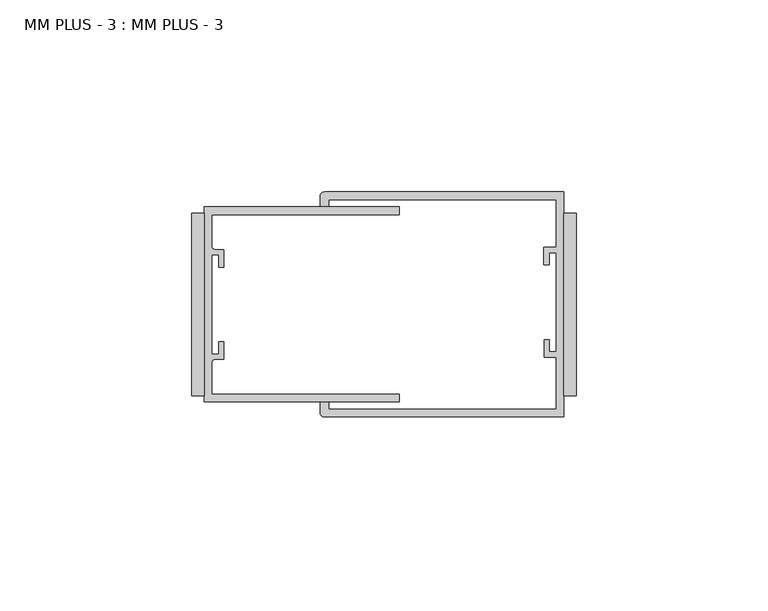
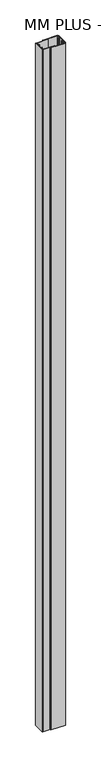
"""IFC4 building model written with IfcOpenShell, lengths in millimetres: proxy geometry, MM PLUS - 3 : MM PLUS - 3."""

from ifc_helpers import new_model, si_unit, point, frame_2d, origin, origin_with_axes, place, context, project, spatial, polyline, circle_curve, trimmed, segment, composite_curve, outline, extrude, source, transform, mapped, element, save


def mm_plus_3_mm_plus_3_bb4cb455(model_context):
    return source(origin(), model_context, "Body", "SweptSolid", [
        extrude(outline(polyline([(-3.175, 23.8125), (0.0, 23.8125), (0.0, -23.8125), (-3.175, -23.8125), (-3.175, 23.8125)])), origin_with_axes(), (0.0, 0.0, 1.0), 3048.0),
        extrude(outline(polyline([(-100.0125, 23.8125), (-96.8375, 23.8125), (-96.8375, -23.8125), (-100.0125, -23.8125), (-100.0125, 23.8125)])), origin_with_axes(), (0.0, 0.0, 1.0), 3048.0),
        extrude(outline(composite_curve([segment(polyline([(-65.4440744, 29.2862), (-3.175, 29.2862), (-3.175, -29.2862), (-65.4440744, -29.2862)]), True, "CONTINUOUS"), segment(trimmed(circle_curve(frame_2d((-65.4440744, -28.095575)), 1.190625), [point((-65.4440744, -29.2862))], [point((-66.6346994, -28.095575))], False, "CARTESIAN"), True, "CONTINUOUS"), segment(polyline([(-66.6346994, -28.095575), (-66.6346994, -25.527), (-64.3382, -25.527), (-64.3382, -27.305), (-5.1562, -27.305), (-5.1562, -13.7024149), (-8.3312, -13.7024149), (-8.3312, -9.1355958), (-6.967, -9.1355958), (-6.967, -12.3105958), (-5.189, -12.3105958), (-5.189, 13.495805), (-6.9792436, 13.495805), (-6.9792436, 10.3136087), (-8.3683061, 10.3136087), (-8.3683061, 14.8979851), (-5.1562, 14.8979851), (-5.1562, 27.305), (-64.3382, 27.305), (-64.3382, 25.527), (-66.6346994, 25.527), (-66.6346994, 28.095575)]), True, "CONTINUOUS"), segment(trimmed(circle_curve(frame_2d((-65.4440744, 28.095575)), 1.190625), [point((-66.6346994, 28.095575))], [point((-65.4440744, 29.2862))], False, "CARTESIAN"), True, "CONTINUOUS")], self_intersect=False)), origin_with_axes(), (0.0, 0.0, 1.0), 3048.0),
        extrude(outline(composite_curve([segment(polyline([(-96.8375, -25.4), (-96.8375, 25.4), (-46.0375, 25.4), (-46.0375, 23.4188), (-94.8563, 23.4188), (-94.8563, 15.0569227)]), True, "CONTINUOUS"), segment(trimmed(circle_curve(frame_2d((-94.0943, 15.0569227)), 0.762), [point((-94.8563, 15.0569227))], [point((-94.0943, 14.2949227))], True, "CARTESIAN"), True, "CONTINUOUS"), segment(polyline([(-94.0943, 14.2949227), (-91.6813, 14.2949227), (-91.6813, 9.7229227), (-93.0783, 9.7229227), (-93.0783, 12.8979227), (-94.8563, 12.8979227), (-94.8563, -12.9084773), (-93.0783, -12.9084773), (-93.0783, -9.7334773), (-91.6813, -9.7334773), (-91.6813, -14.3054773), (-94.0943, -14.3054773)]), True, "CONTINUOUS"), segment(trimmed(circle_curve(frame_2d((-94.0943, -15.0674773)), 0.762), [point((-94.0943, -14.3054773))], [point((-94.8563, -15.0674773))], True, "CARTESIAN"), True, "CONTINUOUS"), segment(polyline([(-94.8563, -15.0674773), (-94.8563, -23.4188), (-46.0375, -23.4188), (-46.0375, -25.4), (-96.8375, -25.4)]), True, "CONTINUOUS")], self_intersect=False)), origin_with_axes(), (0.0, 0.0, 1.0), 3048.0),
    ])


if __name__ == "__main__":
    model = new_model("IFC4")
    model_context = context("Model", 3, world=origin())
    ifc_project = project(units=[si_unit("LENGTHUNIT", "METRE", prefix="MILLI")], contexts=[model_context])
    site = spatial("IfcSite", under=ifc_project)
    building = spatial("IfcBuilding", under=site)
    placement = place(None, origin())
    mm_plus_3_mm_plus_3_shape = mm_plus_3_mm_plus_3_bb4cb455(model_context)
    element("IfcBuildingElementProxy", 1, Name="MM PLUS - 3 : MM PLUS - 3", ObjectType="MM PLUS - 3 : MM PLUS - 3", at=placement, inside=building, context=model_context, shape_type="MappedRepresentation", body=[
        mapped(mm_plus_3_mm_plus_3_shape, transform((0.0, 0.0, 0.0), x_axis=(1.0, 0.0, 0.0), y_axis=(0.0, 1.0, 0.0), z_axis=(0.0, 0.0, 1.0))),
    ])
    save(model, "model.ifc")
